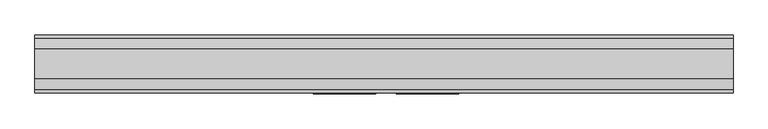
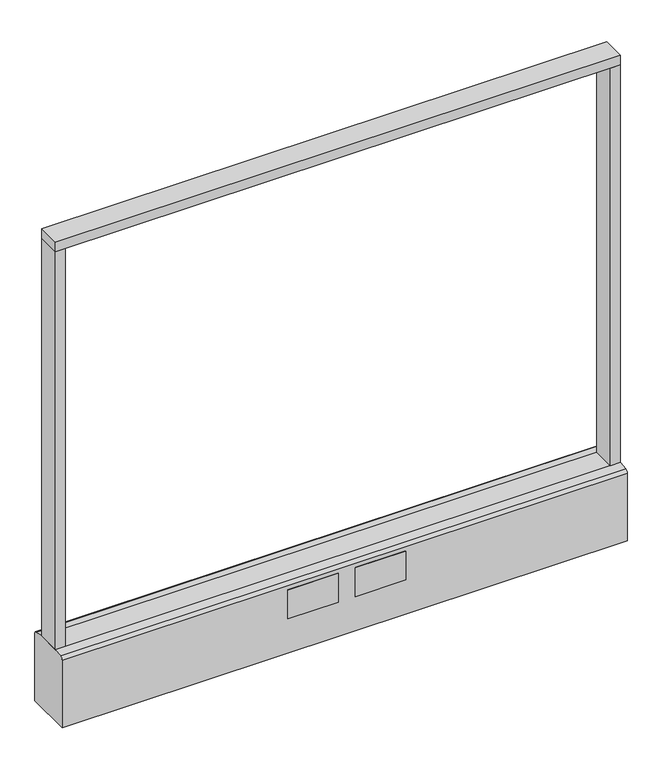
"""IFC4 building model written with IfcOpenShell, lengths in millimetres: furniture geometry."""

import ifcopenshell
import ifcopenshell.guid

model = None  # the IFC model being written
_history = None  # IfcOwnerHistory: only IFC2X3 demands one
_inside = {}  # id of a spatial element -> (the spatial element, [elements in it])
_under = {}  # id of a project, library or spatial element -> (it, [spatial elements below it])
_declared = {}  # id of a project -> (the project, [libraries it declares])
_typed = {}  # id of a type object -> (the type object, [elements of that type])
_made_of = {}  # id of a material, layer set ... -> (it, [elements and type objects made of it])


def new_model(schema):
    """Start an empty IFC model of exactly this schema.

    Asked for "IFC4X3", IfcOpenShell would pick the latest addendum, in which some entities
    have other attributes; the version numbers below select the first issue.
    IFC2X3 requires an IfcOwnerHistory on every rooted entity: one is made here for all.
    """
    global model, _history
    if schema == "IFC4X3":
        model = ifcopenshell.file(schema_version=(4, 3, 0, 0))
    else:
        model = ifcopenshell.file(schema=schema)
    _inside.clear()
    _under.clear()
    _declared.clear()
    _typed.clear()
    _made_of.clear()
    _history = None
    if model.schema == "IFC2X3":
        org = make("IfcOrganization", Name="unknown")
        user = make(
            "IfcPersonAndOrganization",
            ThePerson=make("IfcPerson", FamilyName="unknown"),
            TheOrganization=org,
        )
        app = make(
            "IfcApplication",
            ApplicationDeveloper=org,
            Version="unknown",
            ApplicationFullName="unknown",
            ApplicationIdentifier="unknown",
        )
        _history = make(
            "IfcOwnerHistory",
            OwningUser=user,
            OwningApplication=app,
            ChangeAction="ADDED",
            CreationDate=0,
        )
    return model


def make(cls, **values):
    """One entity of the class cls with the attributes given. An attribute that is None is left unset."""
    return model.create_entity(
        cls, **{name: value for name, value in values.items() if value is not None}
    )


def rooted(cls, **values):
    """An entity with a GlobalId (a new one), such as an element, a storey or a relation."""
    return make(cls, GlobalId=ifcopenshell.guid.new(), OwnerHistory=_history, **values)


def si_unit(unit_type, name, prefix=None):
    """IfcSIUnit, for example si_unit("LENGTHUNIT", "METRE", prefix="MILLI")."""
    return make("IfcSIUnit", UnitType=unit_type, Prefix=prefix, Name=name)


def assignment(units):
    """IfcUnitAssignment: the units of a project."""
    return None if units is None else make("IfcUnitAssignment", Units=units)


def point(xyz):
    """IfcCartesianPoint."""
    return None if xyz is None else make("IfcCartesianPoint", Coordinates=xyz)


def direction(xyz):
    """IfcDirection."""
    return None if xyz is None else make("IfcDirection", DirectionRatios=xyz)


def frame(location, z_axis=None, x_axis=None):
    """IfcAxis2Placement3D, a coordinate frame: its origin and axes. An axis left out is left unset."""
    return make(
        "IfcAxis2Placement3D",
        Location=point(location),
        Axis=direction(z_axis),
        RefDirection=direction(x_axis),
    )


def frame_2d(location, x_axis=None):
    """IfcAxis2Placement2D, a coordinate frame in the plane: its origin and x axis."""
    return make(
        "IfcAxis2Placement2D", Location=point(location), RefDirection=direction(x_axis)
    )


def origin():
    """The frame at (0, 0, 0) with its axes left unset."""
    return frame((0.0, 0.0, 0.0))


def origin_with_axes():
    """The frame at (0, 0, 0) with the z axis (0, 0, 1) and the x axis (1, 0, 0) written out."""
    return frame((0.0, 0.0, 0.0), z_axis=(0.0, 0.0, 1.0), x_axis=(1.0, 0.0, 0.0))


def place(relative_to, where):
    """IfcLocalPlacement: puts the frame where relative to a parent placement (None: the world)."""
    return make(
        "IfcLocalPlacement", PlacementRelTo=relative_to, RelativePlacement=where
    )


def context(
    kind, dimensions, precision=None, world=None, true_north=None, identifier=None
):
    """IfcGeometricRepresentationContext, for example the 3D "Model" context."""
    return make(
        "IfcGeometricRepresentationContext",
        ContextIdentifier=identifier,
        ContextType=kind,
        CoordinateSpaceDimension=dimensions,
        Precision=precision,
        WorldCoordinateSystem=world,
        TrueNorth=true_north,
    )


def project(units=None, contexts=None):
    """IfcProject with its units and contexts."""
    return rooted(
        "IfcProject",
        Name="project",
        RepresentationContexts=contexts,
        UnitsInContext=assignment(units),
    )


def spatial(cls, under=None, at=None, **own):
    """A site, building, storey or space (cls), placed at a placement, below another one or the project."""
    s = rooted(cls, ObjectPlacement=at, **own)
    if under is not None:
        _under.setdefault(under.id(), (under, []))[1].append(s)
    return s


def polyline(points):
    """IfcPolyline through the points."""
    return make("IfcPolyline", Points=[point(p) for p in points])


def circle_curve(where, radius):
    """IfcCircle in the frame where."""
    return make("IfcCircle", Position=where, Radius=radius)


def trimmed(basis, trim1, trim2, sense, master):
    """IfcTrimmedCurve: the piece of a basis curve between two trims."""
    return make(
        "IfcTrimmedCurve",
        BasisCurve=basis,
        Trim1=trim1,
        Trim2=trim2,
        SenseAgreement=sense,
        MasterRepresentation=master,
    )


def segment(curve, same_sense, transition):
    """IfcCompositeCurveSegment."""
    return make(
        "IfcCompositeCurveSegment",
        Transition=transition,
        SameSense=same_sense,
        ParentCurve=curve,
    )


def composite_curve(segments, self_intersect=None):
    """IfcCompositeCurve: segments joined end to end."""
    return make("IfcCompositeCurve", Segments=segments, SelfIntersect=self_intersect)


def outline(outer, holes=None, kind="AREA"):
    """IfcArbitraryClosedProfileDef: a profile drawn as a closed curve; with holes, ...WithVoids."""
    if holes is None:
        return make("IfcArbitraryClosedProfileDef", ProfileType=kind, OuterCurve=outer)
    return make(
        "IfcArbitraryProfileDefWithVoids",
        ProfileType=kind,
        OuterCurve=outer,
        InnerCurves=holes,
    )


def extrude(swept, where, along, depth):
    """IfcExtrudedAreaSolid: the profile swept, set in the frame where, extruded along a direction by depth."""
    return make(
        "IfcExtrudedAreaSolid",
        SweptArea=swept,
        Position=where,
        ExtrudedDirection=direction(along),
        Depth=depth,
    )


def shape(context_of_items, identifier, shape_type, items):
    """IfcShapeRepresentation: the items that make up one representation, for example the "Body"."""
    return make(
        "IfcShapeRepresentation",
        ContextOfItems=context_of_items,
        RepresentationIdentifier=identifier,
        RepresentationType=shape_type,
        Items=items,
    )


def source(mapping_origin, context_of_items, identifier, shape_type, items):
    """IfcRepresentationMap: a shape defined once, which mapped items show again and again."""
    return make(
        "IfcRepresentationMap",
        MappingOrigin=mapping_origin,
        MappedRepresentation=shape(context_of_items, identifier, shape_type, items),
    )


def transform(
    local_origin,
    x_axis=None,
    y_axis=None,
    z_axis=None,
    scale=None,
    scale2=None,
    scale3=None,
    uniform=True,
):
    """IfcCartesianTransformationOperator3D, or its non-uniform kind. x_axis, y_axis, z_axis: its Axis1, 2, 3."""
    if uniform:
        return make(
            "IfcCartesianTransformationOperator3D",
            Axis1=direction(x_axis),
            Axis2=direction(y_axis),
            LocalOrigin=point(local_origin),
            Scale=scale,
            Axis3=direction(z_axis),
        )
    return make(
        "IfcCartesianTransformationOperator3DnonUniform",
        Axis1=direction(x_axis),
        Axis2=direction(y_axis),
        LocalOrigin=point(local_origin),
        Scale=scale,
        Axis3=direction(z_axis),
        Scale2=scale2,
        Scale3=scale3,
    )


def mapped(mapping_source, mapping_target):
    """IfcMappedItem: shows the shape of a source again, moved by a transform."""
    return make(
        "IfcMappedItem", MappingSource=mapping_source, MappingTarget=mapping_target
    )


def made_of(thing, what):
    """Note that an element or type object is made of a material, layer set ...; save() writes the relation."""
    if what is not None:
        _made_of.setdefault(what.id(), (what, []))[1].append(thing)
    return thing


def element(
    cls,
    number,
    at=None,
    inside=None,
    cuts=None,
    type_object=None,
    material=None,
    context=None,
    identifier="Body",
    shape_type=None,
    held_by="IfcProductDefinitionShape",
    body=None,
    shapes=None,
    **own,
):
    """One element of the class cls, such as IfcWall. Its Tag is "e" and its number.

    at: its placement. inside: the storey or other place that contains it. cuts: it is an
    opening in that element (IfcRelVoidsElement). A single representation is given by context,
    identifier, shape_type and body (its items); several are given by shapes. held_by: the class
    of the entity that holds the representations. save() writes the other relations.
    """
    e = rooted(cls, Tag="e%d" % number, ObjectPlacement=at, **own)
    if body is not None:
        shapes = [shape(context, identifier, shape_type, body)]
    if shapes is not None:
        e.Representation = make(held_by, Representations=shapes)
    if inside is not None:
        _inside.setdefault(inside.id(), (inside, []))[1].append(e)
    if cuts is not None:
        rooted(
            "IfcRelVoidsElement", RelatingBuildingElement=cuts, RelatedOpeningElement=e
        )
    if type_object is not None:
        _typed.setdefault(type_object.id(), (type_object, []))[1].append(e)
    return made_of(e, material)


def aggregate(whole, parts):
    """IfcRelAggregates: a whole, such as a stair, and the parts it consists of."""
    return rooted("IfcRelAggregates", RelatingObject=whole, RelatedObjects=parts)


def save(model, path):
    """Write the relations noted so far, then the file.

    IfcRelAggregates (storeys below a building ...), IfcRelContainedInSpatialStructure (elements
    in a storey), IfcRelDefinesByType, IfcRelAssociatesMaterial and IfcRelDeclares: one each for
    every whole, place, type object, material and project.
    """
    for whole, parts in _under.values():
        aggregate(whole, parts)
    for where, things in _inside.values():
        rooted(
            "IfcRelContainedInSpatialStructure",
            RelatedElements=things,
            RelatingStructure=where,
        )
    for kind, things in _typed.values():
        rooted("IfcRelDefinesByType", RelatedObjects=things, RelatingType=kind)
    for what, things in _made_of.values():
        rooted("IfcRelAssociatesMaterial", RelatedObjects=things, RelatingMaterial=what)
    for by, libraries in _declared.values():
        rooted("IfcRelDeclares", RelatingContext=by, RelatedDefinitions=libraries)
    model.write(path)


def furniture_25cfb5af(model_context):
    return source(origin(), model_context, "Body", "SweptSolid", [
        extrude(outline(polyline([(533.4, -22.225), (-533.4, -22.225), (-533.4, 22.225), (533.4, 22.225), (533.4, -22.225)])), frame((0.0, 0.0, 946.15), z_axis=(0.0, 0.0, 1.0), x_axis=(1.0, 0.0, 0.0)), (0.0, 0.0, 1.0), 19.05),
        extrude(outline(composite_curve([segment(trimmed(circle_curve(frame_2d((-457.2, 0.0)), 23.415625), [point((-480.615625, 0.0))], [point((-433.784375, 0.0))], False, "CARTESIAN"), True, "CONTINUOUS"), segment(trimmed(circle_curve(frame_2d((-457.2, 0.0)), 23.415625), [point((-433.784375, 0.0))], [point((-480.615625, 0.0))], False, "CARTESIAN"), True, "CONTINUOUS")], self_intersect=False)), origin_with_axes(), (0.0, 0.0, 1.0), 6.35),
        extrude(outline(composite_curve([segment(trimmed(circle_curve(frame_2d((457.2, 0.0)), 23.415625), [point((433.784375, 0.0))], [point((480.615625, 0.0))], False, "CARTESIAN"), True, "CONTINUOUS"), segment(trimmed(circle_curve(frame_2d((457.2, 0.0)), 23.415625), [point((480.615625, 0.0))], [point((433.784375, 0.0))], False, "CARTESIAN"), True, "CONTINUOUS")], self_intersect=False)), origin_with_axes(), (0.0, 0.0, 1.0), 6.35),
        extrude(outline(polyline([(-514.3500091, -22.225), (-533.4, -22.225), (-533.4, 22.225), (-514.3500091, 22.225), (-514.3500091, -22.225)])), frame((0.0, 0.0, 152.4), z_axis=(0.0, 0.0, 1.0), x_axis=(1.0, 0.0, 0.0)), (0.0, 0.0, 1.0), 793.75),
        extrude(outline(polyline([(533.4, -22.225), (514.3500091, -22.225), (514.3500091, 22.225), (533.4, 22.225), (533.4, -22.225)])), frame((0.0, 0.0, 152.4), z_axis=(0.0, 0.0, 1.0), x_axis=(1.0, 0.0, 0.0)), (0.0, 0.0, 1.0), 793.75),
        extrude(outline(composite_curve([segment(polyline([(-22.225, 152.4), (22.225, 152.4), (39.43219, 149.94183)]), True, "CONTINUOUS"), segment(trimmed(circle_curve(frame_2d((38.605678, 144.1562464)), 5.844322), [point((39.43219, 149.94183))], [point((44.45, 144.1562464))], False, "CARTESIAN"), True, "CONTINUOUS"), segment(polyline([(44.45, 144.1562464), (44.45, 9.525), (-44.4433083, 9.525), (-44.4433083, 144.1572033)]), True, "CONTINUOUS"), segment(trimmed(circle_curve(frame_2d((-38.5989863, 144.1572033)), 5.844322), [point((-44.4433083, 144.1572033))], [point((-39.4222979, 149.9432432))], False, "CARTESIAN"), True, "CONTINUOUS"), segment(polyline([(-39.4222979, 149.9432432), (-22.225, 152.4)]), True, "CONTINUOUS")], self_intersect=False)), frame((-533.4, 0.0, 0.0), z_axis=(1.0, 0.0, 0.0), x_axis=(0.0, 1.0, 0.0)), (0.0, 0.0, 1.0), 1066.8),
        extrude(outline(polyline([(114.3, -46.0375), (19.05, -46.0375), (19.05, -44.45), (114.3, -44.45), (114.3, -46.0375)])), frame((0.0, 0.0, 79.1718), z_axis=(0.0, 0.0, 1.0), x_axis=(1.0, 0.0, 0.0)), (0.0, 0.0, 1.0), 57.15),
        extrude(outline(polyline([(-12.7, -46.0375), (-107.95, -46.0375), (-107.95, -44.45), (-12.7, -44.45), (-12.7, -46.0375)])), frame((0.0, 0.0, 79.1718), z_axis=(0.0, 0.0, 1.0), x_axis=(1.0, 0.0, 0.0)), (0.0, 0.0, 1.0), 57.15),
        extrude(outline(composite_curve([segment(trimmed(circle_curve(frame_2d((-457.2, 0.0)), 5.55625), [point((-462.75625, 0.0))], [point((-451.64375, 0.0))], False, "CARTESIAN"), True, "CONTINUOUS"), segment(trimmed(circle_curve(frame_2d((-457.2, 0.0)), 5.55625), [point((-451.64375, 0.0))], [point((-462.75625, 0.0))], False, "CARTESIAN"), True, "CONTINUOUS")], self_intersect=False)), frame((0.0, 0.0, 6.35), z_axis=(0.0, 0.0, 1.0), x_axis=(1.0, 0.0, 0.0)), (0.0, 0.0, 1.0), 3.175),
        extrude(outline(composite_curve([segment(trimmed(circle_curve(frame_2d((457.2, 0.0)), 5.55625), [point((451.64375, 0.0))], [point((462.75625, 0.0))], False, "CARTESIAN"), True, "CONTINUOUS"), segment(trimmed(circle_curve(frame_2d((457.2, 0.0)), 5.55625), [point((462.75625, 0.0))], [point((451.64375, 0.0))], False, "CARTESIAN"), True, "CONTINUOUS")], self_intersect=False)), frame((0.0, 0.0, 6.35), z_axis=(0.0, 0.0, 1.0), x_axis=(1.0, 0.0, 0.0)), (0.0, 0.0, 1.0), 3.175),
    ])


if __name__ == "__main__":
    model = new_model("IFC4")
    model_context = context("Model", 3, world=origin())
    ifc_project = project(units=[si_unit("LENGTHUNIT", "METRE", prefix="MILLI")], contexts=[model_context])
    site = spatial("IfcSite", under=ifc_project)
    building = spatial("IfcBuilding", under=site)
    placement = place(None, origin())
    furniture_shape = furniture_25cfb5af(model_context)
    element("IfcFurniture", 1, at=placement, inside=building, context=model_context, shape_type="MappedRepresentation", body=[
        mapped(furniture_shape, transform((0.0, 0.0, 0.0), x_axis=(1.0, 0.0, 0.0), y_axis=(0.0, 1.0, 0.0), z_axis=(0.0, 0.0, 1.0))),
    ])
    save(model, "model.ifc")
